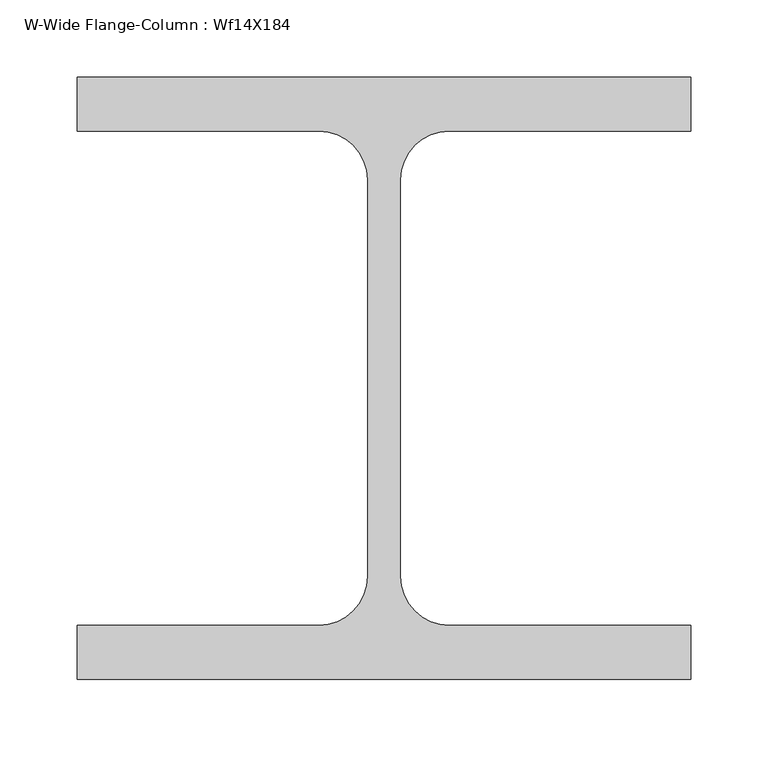
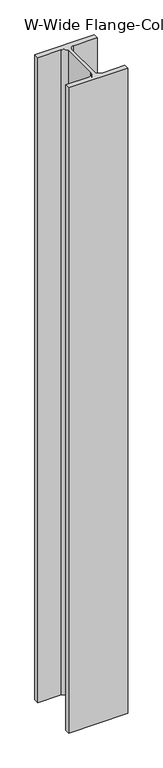
"""IFC4 building model written with IfcOpenShell, lengths in millimetres: column geometry, W-Wide Flange-Column : Wf14X184."""

from ifc_helpers import new_model, si_unit, point, frame, frame_2d, origin, place, context, project, spatial, polyline, circle_curve, trimmed, segment, composite_curve, outline, extrude, source, transform, mapped, element, save


def w_wide_flange_column_wf14x184_a61237bb(model_context):
    return source(origin(), model_context, "Body", "SweptSolid", [
        extrude(outline(composite_curve([segment(polyline([(198.8839844, 195.3121094), (198.8839844, 160.2878906), (42.3167969, 160.2878906)]), True, "CONTINUOUS"), segment(trimmed(circle_curve(frame_2d((42.3167969, 128.6371094)), 31.6507812), [point((42.3167969, 160.2878906))], [point((10.6660156, 128.6371094))], True, "CARTESIAN"), True, "CONTINUOUS"), segment(polyline([(10.6660156, 128.6371094), (10.6660156, -128.6371094)]), True, "CONTINUOUS"), segment(trimmed(circle_curve(frame_2d((42.3167969, -128.6371094)), 31.6507813), [point((10.6660156, -128.6371094))], [point((42.3167969, -160.2878906))], True, "CARTESIAN"), True, "CONTINUOUS"), segment(polyline([(42.3167969, -160.2878906), (198.8839844, -160.2878906), (198.8839844, -195.3121094), (-198.8839844, -195.3121094), (-198.8839844, -160.2878906), (-42.3167969, -160.2878906)]), True, "CONTINUOUS"), segment(trimmed(circle_curve(frame_2d((-42.3167969, -128.6371094)), 31.6507813), [point((-42.3167969, -160.2878906))], [point((-10.6660156, -128.6371094))], True, "CARTESIAN"), True, "CONTINUOUS"), segment(polyline([(-10.6660156, -128.6371094), (-10.6660156, 128.6371094)]), True, "CONTINUOUS"), segment(trimmed(circle_curve(frame_2d((-42.3167969, 128.6371094)), 31.6507813), [point((-10.6660156, 128.6371094))], [point((-42.3167969, 160.2878906))], True, "CARTESIAN"), True, "CONTINUOUS"), segment(polyline([(-42.3167969, 160.2878906), (-198.8839844, 160.2878906), (-198.8839844, 195.3121094), (198.8839844, 195.3121094)]), True, "CONTINUOUS")], self_intersect=False)), frame((0.0, 0.0, 275844.0), z_axis=(0.0, 0.0, 1.0), x_axis=(1.0, 0.0, 0.0)), (0.0, 0.0, 1.0), 4572.0),
    ])


if __name__ == "__main__":
    model = new_model("IFC4")
    model_context = context("Model", 3, world=origin())
    ifc_project = project(units=[si_unit("LENGTHUNIT", "METRE", prefix="MILLI")], contexts=[model_context])
    site = spatial("IfcSite", under=ifc_project)
    building = spatial("IfcBuilding", under=site)
    placement = place(None, origin())
    w_wide_flange_column_wf14x184_shape = w_wide_flange_column_wf14x184_a61237bb(model_context)
    element("IfcColumn", 1, ObjectType="W-Wide Flange-Column : Wf14X184", at=placement, inside=building, context=model_context, shape_type="MappedRepresentation", body=[
        mapped(w_wide_flange_column_wf14x184_shape, transform((0.0, 0.0, 0.0), x_axis=(1.0, 0.0, 0.0), y_axis=(0.0, 1.0, 0.0), z_axis=(0.0, 0.0, 1.0))),
    ])
    save(model, "model.ifc")
